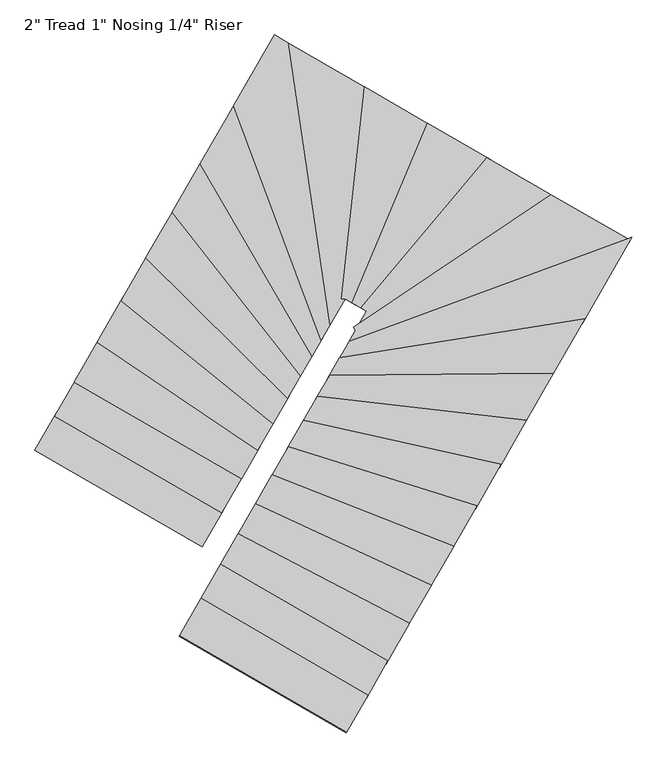
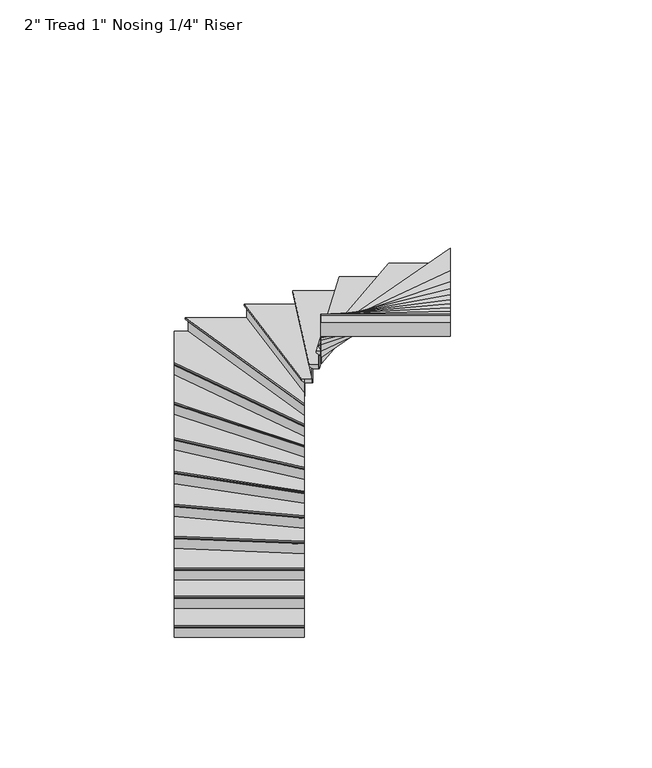
"""IFC4 building model written with IfcOpenShell, lengths in millimetres: stair flight geometry."""

from ifc_helpers import new_model, si_unit, origin, place, context, project, spatial, faceted_brep, source, transform, mapped, element, save


def stair_flight_e8a2d479(model_context):
    return source(origin(), model_context, "Body", "Brep", [
        faceted_brep([(34058.7429103, -105273.2736568, 3204.7961538), (34058.7429103, -105273.2736568, 3223.8461538), (32870.7873116, -104587.6731496, 3223.8461538), (32870.7873116, -104587.6731496, 3204.7961538), (34071.439216, -105251.274479, 3179.3961538), (32883.4836173, -104565.6739719, 3179.3961538), (34211.0985786, -105009.2835238, 3223.8461538), (33023.1429799, -104323.6830166, 3223.8461538), (32883.4836173, -104565.6739719, 3173.0461538), (33023.1429799, -104323.6830166, 3173.0461538), (34211.0985786, -105009.2835238, 3173.0461538), (34071.439216, -105251.274479, 3173.0461538)], [[[0, 1, 2, 3]], [[4, 0, 3, 5]], [[2, 1, 6, 7]], [[8, 9, 10, 11]], [[2, 7, 9, 8, 5, 3]], [[8, 11, 4, 5]], [[6, 1, 0, 4, 11, 10]], [[7, 6, 10, 9]]]),
        faceted_brep([(34071.439216, -105251.274479, 3173.0461538), (34071.439216, -105251.274479, 3048.0), (34074.6132924, -105245.7746846, 3048.0), (34074.6132924, -105245.7746846, 3173.0461538), (32883.4836173, -104565.6739719, 3173.0461538), (32886.6576937, -104560.1741774, 3173.0461538), (32886.6576937, -104560.1741774, 3048.0), (32883.4836173, -104565.6739719, 3048.0)], [[[0, 1, 2, 3]], [[4, 5, 6, 7]], [[1, 0, 4, 7]], [[2, 1, 7, 6]], [[3, 2, 6, 5]], [[0, 3, 5, 4]]]),
        faceted_brep([(34211.0985786, -105009.2835238, 3348.8923077), (34211.0985786, -105009.2835238, 3173.0461538), (34214.272655, -105003.7837293, 3173.0461538), (34214.272655, -105003.7837293, 3348.8923077), (33023.1429799, -104323.6830166, 3348.8923077), (33026.3170563, -104318.1832221, 3348.8923077), (33026.3170563, -104318.1832221, 3173.0461538), (33023.1429799, -104323.6830166, 3173.0461538)], [[[0, 1, 2, 3]], [[4, 5, 6, 7]], [[1, 0, 4, 7]], [[2, 1, 7, 6]], [[3, 2, 6, 5]], [[0, 3, 5, 4]]]),
        faceted_brep([(33010.4466742, -104345.6821943, 3399.6923077), (34198.4022729, -105031.2827015, 3399.6923077), (34350.7579412, -104767.2925685, 3399.6923077), (33162.8023424, -104081.6920613, 3399.6923077), (33023.1429799, -104323.6830166, 3348.8923077), (33162.8023424, -104081.6920613, 3348.8923077), (34350.7579412, -104767.2925685, 3348.8923077), (34211.0985786, -105009.2835238, 3348.8923077), (33023.1429799, -104323.6830166, 3355.2423077), (33010.4466742, -104345.6821943, 3380.6423077), (34211.0985786, -105009.2835238, 3355.2423077), (34198.4022729, -105031.2827015, 3380.6423077)], [[[0, 1, 2, 3]], [[4, 5, 6, 7]], [[0, 3, 5, 4, 8, 9]], [[4, 7, 10, 8]], [[2, 1, 11, 10, 7, 6]], [[3, 2, 6, 5]], [[11, 1, 0, 9]], [[10, 11, 9, 8]]]),
        faceted_brep([(34350.7579412, -104767.2925685, 3524.7384615), (34350.7579412, -104767.2925685, 3348.8923077), (34353.9320176, -104761.792774, 3348.8923077), (34353.9320176, -104761.792774, 3524.7384615), (33162.8023424, -104081.6920613, 3524.7384615), (33165.9764188, -104076.1922668, 3524.7384615), (33165.9764188, -104076.1922668, 3348.8923077), (33162.8023424, -104081.6920613, 3348.8923077)], [[[0, 1, 2, 3]], [[4, 5, 6, 7]], [[1, 0, 4, 7]], [[2, 1, 7, 6]], [[3, 2, 6, 5]], [[0, 3, 5, 4]]]),
        faceted_brep([(33150.1060367, -104103.691239, 3575.5384615), (34338.0616355, -104789.2917462, 3575.5384615), (34466.1119936, -104567.4159771, 3575.5384615), (33326.8309287, -103797.4759977, 3575.5384615), (33162.8023424, -104081.6920613, 3524.7384615), (33326.8309287, -103797.4759977, 3524.7384615), (34466.1119936, -104567.4159771, 3524.7384615), (34350.7579412, -104767.2925685, 3524.7384615), (33162.8023424, -104081.6920613, 3531.0884615), (33150.1060367, -104103.691239, 3556.4884615), (34350.7579412, -104767.2925685, 3531.0884615), (34338.0616355, -104789.2917462, 3556.4884615)], [[[0, 1, 2, 3]], [[4, 5, 6, 7]], [[0, 3, 5, 4, 8, 9]], [[4, 7, 10, 8]], [[2, 1, 11, 10, 7, 6]], [[3, 2, 6, 5]], [[11, 1, 0, 9]], [[10, 11, 9, 8]]]),
        faceted_brep([(34466.1119936, -104567.4159771, 3700.5846154), (34466.1119936, -104567.4159771, 3524.7384615), (34469.2940592, -104561.9023397, 3524.7384615), (34469.2940592, -104561.9023397, 3700.5846154), (33326.8309287, -103797.4759977, 3700.5846154), (33330.0129943, -103791.9623602, 3700.5846154), (33330.0129943, -103791.9623602, 3524.7384615), (33326.8309287, -103797.4759977, 3524.7384615)], [[[0, 1, 2, 3]], [[4, 5, 6, 7]], [[1, 0, 4, 7]], [[2, 1, 7, 6]], [[3, 2, 6, 5]], [[0, 3, 5, 4]]]),
        faceted_brep([(33314.1026662, -103819.5305476, 3751.3846154), (34453.3837311, -104589.4705271, 3751.3846154), (34576.4243037, -104376.2753274, 3751.3846154), (33496.0843406, -103504.2067597, 3751.3846154), (33326.8309287, -103797.4759977, 3700.5846154), (33496.0843406, -103504.2067597, 3700.5846154), (34576.4243037, -104376.2753274, 3700.5846154), (34466.1119936, -104567.4159771, 3700.5846154), (33326.8309287, -103797.4759977, 3706.9346154), (33314.1026662, -103819.5305476, 3732.3346154), (34466.1119936, -104567.4159771, 3706.9346154), (34453.3837311, -104589.4705271, 3732.3346154)], [[[0, 1, 2, 3]], [[4, 5, 6, 7]], [[0, 3, 5, 4, 8, 9]], [[4, 7, 10, 8]], [[2, 1, 11, 10, 7, 6]], [[3, 2, 6, 5]], [[11, 1, 0, 9]], [[10, 11, 9, 8]]]),
        faceted_brep([(34576.4243037, -104376.2753274, 3876.4307692), (34576.4243037, -104376.2753274, 3700.5846154), (34579.6372439, -104370.7081927, 3700.5846154), (34579.6372439, -104370.7081927, 3876.4307692), (33496.0843406, -103504.2067597, 3876.4307692), (33499.2972808, -103498.6396251, 3876.4307692), (33499.2972808, -103498.6396251, 3700.5846154), (33496.0843406, -103504.2067597, 3700.5846154)], [[[0, 1, 2, 3]], [[4, 5, 6, 7]], [[1, 0, 4, 7]], [[2, 1, 7, 6]], [[3, 2, 6, 5]], [[0, 3, 5, 4]]]),
        faceted_brep([(33483.2325797, -103526.4752982, 3927.2307692), (34563.5725428, -104398.5438658, 3927.2307692), (34679.9412357, -104196.9091838, 3927.2307692), (33672.4400651, -103198.631183, 3927.2307692), (33496.0843406, -103504.2067597, 3876.4307692), (33672.4400651, -103198.631183, 3876.4307692), (34679.9412357, -104196.9091838, 3876.4307692), (34576.4243037, -104376.2753274, 3876.4307692), (33496.0843406, -103504.2067597, 3882.7807692), (33483.2325797, -103526.4752982, 3908.1807692), (34576.4243037, -104376.2753274, 3882.7807692), (34563.5725428, -104398.5438658, 3908.1807692)], [[[0, 1, 2, 3]], [[4, 5, 6, 7]], [[0, 3, 5, 4, 8, 9]], [[4, 7, 10, 8]], [[2, 1, 11, 10, 7, 6]], [[3, 2, 6, 5]], [[11, 1, 0, 9]], [[10, 11, 9, 8]]]),
        faceted_brep([(34679.9412357, -104196.9091838, 4052.2769231), (34679.9412357, -104196.9091838, 3876.4307692), (34683.2234174, -104191.222073, 3876.4307692), (34683.2234174, -104191.222073, 4052.2769231), (33672.4400651, -103198.631183, 4052.2769231), (33675.7222468, -103192.9440722, 4052.2769231), (33675.7222468, -103192.9440722, 3876.4307692), (33672.4400651, -103198.631183, 3876.4307692)], [[[0, 1, 2, 3]], [[4, 5, 6, 7]], [[1, 0, 4, 7]], [[2, 1, 7, 6]], [[3, 2, 6, 5]], [[0, 3, 5, 4]]]),
        faceted_brep([(33659.3113385, -103221.3796263, 4103.0769231), (34666.8125091, -104219.6576271, 4103.0769231), (34773.9816638, -104033.9631944, 4103.0769231), (33858.7893199, -102875.7395891, 4103.0769231), (33672.4400651, -103198.631183, 4052.2769231), (33858.7893199, -102875.7395891, 4052.2769231), (34773.9816638, -104033.9631944, 4052.2769231), (34679.9412357, -104196.9091838, 4052.2769231), (33672.4400651, -103198.631183, 4058.6269231), (33659.3113385, -103221.3796263, 4084.0269231), (34679.9412357, -104196.9091838, 4058.6269231), (34666.8125091, -104219.6576271, 4084.0269231)], [[[0, 1, 2, 3]], [[4, 5, 6, 7]], [[0, 3, 5, 4, 8, 9]], [[4, 7, 10, 8]], [[2, 1, 11, 10, 7, 6]], [[3, 2, 6, 5]], [[11, 1, 0, 9]], [[10, 11, 9, 8]]]),
        faceted_brep([(34773.9816638, -104033.9631944, 4228.1230769), (34773.9816638, -104033.9631944, 4052.2769231), (34777.3977151, -104028.0441244, 4052.2769231), (34777.3977151, -104028.0441244, 4228.1230769), (33858.7893199, -102875.7395891, 4228.1230769), (33862.2053713, -102869.8205192, 4228.1230769), (33862.2053713, -102869.8205192, 4052.2769231), (33858.7893199, -102875.7395891, 4052.2769231)], [[[0, 1, 2, 3]], [[4, 5, 6, 7]], [[1, 0, 4, 7]], [[2, 1, 7, 6]], [[3, 2, 6, 5]], [[0, 3, 5, 4]]]),
        faceted_brep([(33845.1251145, -102899.4158688, 4278.9230769), (34760.3174583, -104057.6394741, 4278.9230769), (34854.2213067, -103894.9301393, 4278.9230769), (34059.8187483, -102527.4113245, 4278.9230769), (33858.7893199, -102875.7395891, 4228.1230769), (34059.8187483, -102527.4113245, 4228.1230769), (34854.2213067, -103894.9301393, 4228.1230769), (34773.9816638, -104033.9631944, 4228.1230769), (33858.7893199, -102875.7395891, 4234.4730769), (33845.1251145, -102899.4158688, 4259.8730769), (34773.9816638, -104033.9631944, 4234.4730769), (34760.3174583, -104057.6394741, 4259.8730769)], [[[0, 1, 2, 3]], [[4, 5, 6, 7]], [[0, 3, 5, 4, 8, 9]], [[4, 7, 10, 8]], [[2, 1, 11, 10, 7, 6]], [[3, 2, 6, 5]], [[11, 1, 0, 9]], [[10, 11, 9, 8]]]),
        faceted_brep([(34854.2213067, -103894.9301393, 4403.9692308), (34854.2213067, -103894.9301393, 4228.1230769), (34857.8811513, -103888.5886433, 4228.1230769), (34857.8811513, -103888.5886433, 4403.9692308), (34059.8187483, -102527.4113245, 4403.9692308), (34063.4785929, -102521.0698284, 4403.9692308), (34063.4785929, -102521.0698284, 4228.1230769), (34059.8187483, -102527.4113245, 4228.1230769)], [[[0, 1, 2, 3]], [[4, 5, 6, 7]], [[1, 0, 4, 7]], [[2, 1, 7, 6]], [[3, 2, 6, 5]], [[0, 3, 5, 4]]]),
        faceted_brep([(34045.1793698, -102552.7773087, 4454.7692308), (34839.5819282, -103920.2961236, 4454.7692308), (34920.9943729, -103779.2309282, 4454.7692308), (34299.1595432, -102112.7000831, 4454.7692308), (34059.8187483, -102527.4113245, 4403.9692308), (34299.1595432, -102112.7000831, 4403.9692308), (34920.9943729, -103779.2309282, 4403.9692308), (34854.2213067, -103894.9301393, 4403.9692308), (34059.8187483, -102527.4113245, 4410.3192308), (34045.1793698, -102552.7773087, 4435.7192308), (34854.2213067, -103894.9301393, 4410.3192308), (34839.5819282, -103920.2961236, 4435.7192308)], [[[0, 1, 2, 3]], [[4, 5, 6, 7]], [[0, 3, 5, 4, 8, 9]], [[4, 7, 10, 8]], [[2, 1, 11, 10, 7, 6]], [[3, 2, 6, 5]], [[11, 1, 0, 9]], [[10, 11, 9, 8]]]),
        faceted_brep([(34920.9943729, -103779.2309282, 4579.8153846), (34920.9943729, -103779.2309282, 4403.9692308), (34925.1106859, -103772.098499, 4403.9692308), (34925.1106859, -103772.098499, 4579.8153846), (34299.1595432, -102112.7000831, 4579.8153846), (34303.2758562, -102105.567654, 4579.8153846), (34303.2758562, -102105.567654, 4403.9692308), (34299.1595432, -102112.7000831, 4403.9692308)], [[[0, 1, 2, 3]], [[4, 5, 6, 7]], [[1, 0, 4, 7]], [[2, 1, 7, 6]], [[3, 2, 6, 5]], [[0, 3, 5, 4]]]),
        faceted_brep([(34702.6300907, -101713.9698157, 4630.6153846), (34572.5902855, -101638.9204145, 4630.6153846), (34282.6942913, -102141.2297997, 4630.6153846), (34904.529121, -103807.7606448, 4630.6153846), (34988.6092331, -103662.0731214, 4630.6153846), (34572.5902855, -101638.9204145, 4579.8153846), (34702.6300907, -101713.9698157, 4579.8153846), (34988.6092331, -103662.0731214, 4579.8153846), (34920.9943729, -103779.2309282, 4579.8153846), (34299.1595432, -102112.7000831, 4579.8153846), (34920.9943729, -103779.2309282, 4586.1653846), (34299.1595432, -102112.7000831, 4586.1653846), (34904.529121, -103807.7606448, 4611.5653846), (34282.6942913, -102141.2297997, 4611.5653846)], [[[0, 1, 2, 3, 4]], [[5, 6, 7, 8, 9]], [[1, 0, 6, 5]], [[9, 8, 10, 11]], [[4, 3, 12, 10, 8, 7]], [[0, 4, 7, 6]], [[12, 3, 2, 13]], [[10, 12, 13, 11]], [[2, 1, 5, 9, 11, 13]]]),
        faceted_brep([(34988.6092331, -103662.0731214, 4755.6615385), (34988.6092331, -103662.0731214, 4579.8153846), (34993.725825, -103653.2074862, 4579.8153846), (34993.725825, -103653.2074862, 4755.6615385), (34702.6300907, -101713.9698157, 4755.6615385), (34709.6422249, -101718.0167033, 4755.6615385), (34709.6422249, -101718.0167033, 4579.8153846), (34702.6300907, -101713.9698157, 4579.8153846)], [[[0, 1, 2, 3]], [[4, 5, 6, 7]], [[1, 0, 4, 7]], [[2, 1, 7, 6]], [[3, 2, 6, 5]], [[0, 3, 5, 4]]]),
        faceted_brep([(34674.5815538, -101697.7822653, 4806.4615385), (34968.1428654, -103697.5356624, 4806.4615385), (35074.0644902, -103514.0028531, 4806.4615385), (35236.0103431, -102021.7976268, 4806.4615385), (34702.6300907, -101713.9698157, 4755.6615385), (35236.0103431, -102021.7976268, 4755.6615385), (35074.0644902, -103514.0028531, 4755.6615385), (34988.6092331, -103662.0731214, 4755.6615385), (34702.6300907, -101713.9698157, 4762.0115385), (34674.5815538, -101697.7822653, 4787.4115385), (34988.6092331, -103662.0731214, 4762.0115385), (34968.1428654, -103697.5356624, 4787.4115385)], [[[0, 1, 2, 3]], [[4, 5, 6, 7]], [[0, 3, 5, 4, 8, 9]], [[4, 7, 10, 8]], [[2, 1, 11, 10, 7, 6]], [[3, 2, 6, 5]], [[11, 1, 0, 9]], [[10, 11, 9, 8]]]),
        faceted_brep([(35074.0644902, -103514.0028531, 4931.5076923), (35074.0644902, -103514.0028531, 4755.6615385), (35080.3774212, -103514.6879821, 4755.6615385), (35080.3774212, -103514.6879821, 4931.5076923), (35236.0103431, -102021.7976268, 4931.5076923), (35242.0211473, -102025.2666204, 4931.5076923), (35242.0211473, -102025.2666204, 4755.6615385), (35236.0103431, -102021.7976268, 4755.6615385)], [[[0, 1, 2, 3]], [[4, 5, 6, 7]], [[1, 0, 4, 7]], [[2, 1, 7, 6]], [[3, 2, 6, 5]], [[0, 3, 5, 4]]]),
        faceted_brep([(35211.9671266, -102007.9216524, 4982.3076923), (35048.812766, -103511.2623373, 4982.3076923), (35074.0644902, -103514.0028531, 4982.3076923), (35074.945377, -103512.4765204, 4982.3076923), (35147.2728149, -103554.2185924, 4982.3076923), (35681.2119659, -102278.735225, 4982.3076923), (35236.0103431, -102021.7976268, 4931.5076923), (35681.2119659, -102278.735225, 4931.5076923), (35147.2728149, -103554.2185924, 4931.5076923), (35074.945377, -103512.4765204, 4931.5076923), (35074.0644902, -103514.0028531, 4931.5076923), (35236.0103431, -102021.7976268, 4937.8576923), (35211.9671266, -102007.9216524, 4963.2576923), (35074.0644902, -103514.0028531, 4937.8576923), (35048.812766, -103511.2623373, 4963.2576923)], [[[0, 1, 2, 3, 4, 5]], [[6, 7, 8, 9, 10]], [[0, 5, 7, 6, 11, 12]], [[6, 10, 13, 11]], [[3, 2, 13, 10, 9]], [[4, 3, 9, 8]], [[5, 4, 8, 7]], [[14, 1, 0, 12]], [[13, 14, 12, 11]], [[1, 14, 13, 2]]]),
        faceted_brep([(35147.2728149, -103554.2185924, 5107.3538462), (35147.2728149, -103554.2185924, 4931.5076923), (35152.8172476, -103557.4184307, 4931.5076923), (35152.8172476, -103557.4184307, 5107.3538462), (35681.2119659, -102278.735225, 5107.3538462), (35686.7563986, -102281.9350634, 5107.3538462), (35686.7563986, -102281.9350634, 4931.5076923), (35681.2119659, -102278.735225, 4931.5076923)], [[[0, 1, 2, 3]], [[4, 5, 6, 7]], [[1, 0, 4, 7]], [[2, 1, 7, 6]], [[3, 2, 6, 5]], [[0, 3, 5, 4]]]),
        faceted_brep([(35659.0342352, -102265.9358717, 5158.1538462), (35125.0950842, -103541.419239, 5158.1538462), (35209.7916954, -103590.2998871, 5158.1538462), (36104.2961835, -102522.9082854, 5158.1538462), (35681.2119659, -102278.735225, 5107.3538462), (36104.2961835, -102522.9082854, 5107.3538462), (35209.7916954, -103590.2998871, 5107.3538462), (35147.2728149, -103554.2185924, 5107.3538462), (35681.2119659, -102278.735225, 5113.7038462), (35659.0342352, -102265.9358717, 5139.1038462), (35147.2728149, -103554.2185924, 5113.7038462), (35125.0950842, -103541.419239, 5139.1038462)], [[[0, 1, 2, 3]], [[4, 5, 6, 7]], [[0, 3, 5, 4, 8, 9]], [[4, 7, 10, 8]], [[3, 2, 6, 5]], [[11, 1, 0, 9]], [[10, 11, 9, 8]], [[2, 1, 11, 10, 7, 6]]]),
        faceted_brep([(35209.7916954, -103590.2998871, 5283.2), (35209.7916954, -103590.2998871, 5107.3538462), (35215.3758797, -103593.5226672, 5107.3538462), (35215.3758797, -103593.5226672, 5283.2), (36104.2961835, -102522.9082854, 5283.2), (36109.8803678, -102526.1310655, 5283.2), (36109.8803678, -102526.1310655, 5107.3538462), (36104.2961835, -102522.9082854, 5107.3538462)], [[[0, 1, 2, 3]], [[4, 5, 6, 7]], [[1, 0, 4, 7]], [[2, 1, 7, 6]], [[3, 2, 6, 5]], [[0, 3, 5, 4]]]),
        faceted_brep([(36081.9594463, -102510.0171653, 5334.0), (35187.4549582, -103577.408767, 5334.0), (35227.850771, -103600.722256, 5334.0), (35150.8603109, -103734.1253779, 5334.0), (36560.749701, -102786.3396489, 5334.0), (36104.2961835, -102522.9082854, 5283.2), (36560.749701, -102786.3396489, 5283.2), (35150.8603109, -103734.1253779, 5283.2), (35227.850771, -103600.722256, 5283.2), (35209.7916954, -103590.2998871, 5283.2), (36104.2961835, -102522.9082854, 5289.55), (36081.9594463, -102510.0171653, 5314.95), (35209.7916954, -103590.2998871, 5289.55), (35187.4549582, -103577.408767, 5314.95)], [[[0, 1, 2, 3, 4]], [[5, 6, 7, 8, 9]], [[0, 4, 6, 5, 10, 11]], [[5, 9, 12, 10]], [[2, 1, 13, 12, 9, 8]], [[4, 3, 7, 6]], [[13, 1, 0, 11]], [[12, 13, 11, 10]], [[3, 2, 8, 7]]]),
        faceted_brep([(35150.8603109, -103734.1253779, 5459.0461538), (35150.8603109, -103734.1253779, 5283.2), (35154.4029692, -103739.3952994, 5283.2), (35154.4029692, -103739.3952994, 5459.0461538), (36560.749701, -102786.3396489, 5459.0461538), (36566.8739534, -102789.8741165, 5459.0461538), (36566.8739534, -102789.8741165, 5283.2), (36560.749701, -102786.3396489, 5283.2)], [[[0, 1, 2, 3]], [[4, 5, 6, 7]], [[1, 0, 4, 7]], [[2, 1, 7, 6]], [[3, 2, 6, 5]], [[0, 3, 5, 4]]]),
        faceted_brep([(37094.2233393, -103110.8142435, 5509.8461538), (37101.4068769, -103098.3671644, 5509.8461538), (36536.2526915, -102772.2017786, 5509.8461538), (35136.6896777, -103713.0456921, 5509.8461538), (35150.8603109, -103734.1253779, 5509.8461538), (35085.0928584, -103848.0821394, 5509.8461538), (37101.4068769, -103098.3671644, 5459.0461538), (37094.2233393, -103110.8142435, 5459.0461538), (35085.0928584, -103848.0821394, 5459.0461538), (35150.8603109, -103734.1253779, 5459.0461538), (36560.749701, -102786.3396489, 5459.0461538), (35150.8603109, -103734.1253779, 5465.3961538), (36560.749701, -102786.3396489, 5465.3961538), (35136.6896777, -103713.0456921, 5490.7961538), (36536.2526915, -102772.2017786, 5490.7961538)], [[[0, 1, 2, 3, 4, 5]], [[6, 7, 8, 9, 10]], [[1, 0, 7, 6]], [[10, 9, 11, 12]], [[5, 4, 11, 9, 8]], [[0, 5, 8, 7]], [[13, 3, 2, 14]], [[11, 13, 14, 12]], [[3, 13, 11, 4]], [[2, 1, 6, 10, 12, 14]]]),
        faceted_brep([(35085.0928584, -103848.0821394, 5634.8923077), (35085.0928584, -103848.0821394, 5459.0461538), (35080.1402879, -103856.6635709, 5459.0461538), (35080.1402879, -103856.6635709, 5634.8923077), (37094.2233393, -103110.8142435, 5634.8923077), (37089.2707688, -103119.3956751, 5634.8923077), (37089.2707688, -103119.3956751, 5459.0461538), (37094.2233393, -103110.8142435, 5459.0461538)], [[[0, 1, 2, 3]], [[4, 5, 6, 7]], [[1, 0, 4, 7]], [[2, 1, 7, 6]], [[3, 2, 6, 5]], [[0, 3, 5, 4]]]),
        faceted_brep([(37114.0336213, -103076.4885172, 5685.6923077), (35104.9031404, -103813.7564131, 5685.6923077), (35019.9504335, -103960.9559012, 5685.6923077), (36764.2781484, -103682.5177832, 5685.6923077), (37094.2233393, -103110.8142435, 5634.8923077), (36764.2781484, -103682.5177832, 5634.8923077), (35019.9504335, -103960.9559012, 5634.8923077), (35085.0928584, -103848.0821394, 5634.8923077), (37094.2233393, -103110.8142435, 5641.2423077), (37114.0336213, -103076.4885172, 5666.6423077), (35085.0928584, -103848.0821394, 5641.2423077), (35104.9031404, -103813.7564131, 5666.6423077)], [[[0, 1, 2, 3]], [[4, 5, 6, 7]], [[0, 3, 5, 4, 8, 9]], [[4, 7, 10, 8]], [[2, 1, 11, 10, 7, 6]], [[3, 2, 6, 5]], [[11, 1, 0, 9]], [[10, 11, 9, 8]]]),
        faceted_brep([(35019.9504335, -103960.9559012, 5810.7384615), (35019.9504335, -103960.9559012, 5634.8923077), (35015.8627092, -103968.0387942, 5634.8923077), (35015.8627092, -103968.0387942, 5810.7384615), (36764.2781484, -103682.5177832, 5810.7384615), (36760.1904241, -103689.6006762, 5810.7384615), (36760.1904241, -103689.6006762, 5634.8923077), (36764.2781484, -103682.5177832, 5634.8923077)], [[[0, 1, 2, 3]], [[4, 5, 6, 7]], [[1, 0, 4, 7]], [[2, 1, 7, 6]], [[3, 2, 6, 5]], [[0, 3, 5, 4]]]),
        faceted_brep([(36780.6290459, -103654.1862112, 5861.5384615), (35036.301331, -103932.6243292, 5861.5384615), (34951.5828788, -104079.4179189, 5861.5384615), (36542.1715296, -104067.3669754, 5861.5384615), (36764.2781484, -103682.5177832, 5810.7384615), (36542.1715296, -104067.3669754, 5810.7384615), (34951.5828788, -104079.4179189, 5810.7384615), (35019.9504335, -103960.9559012, 5810.7384615), (36764.2781484, -103682.5177832, 5817.0884615), (36780.6290459, -103654.1862112, 5842.4884615), (35019.9504335, -103960.9559012, 5817.0884615), (35036.301331, -103932.6243292, 5842.4884615)], [[[0, 1, 2, 3]], [[4, 5, 6, 7]], [[0, 3, 5, 4, 8, 9]], [[4, 7, 10, 8]], [[2, 1, 11, 10, 7, 6]], [[3, 2, 6, 5]], [[11, 1, 0, 9]], [[10, 11, 9, 8]]]),
        faceted_brep([(34951.5828788, -104079.4179189, 5986.5846154), (34951.5828788, -104079.4179189, 5810.7384615), (34947.901926, -104085.7959895, 5810.7384615), (34947.901926, -104085.7959895, 5986.5846154), (36542.1715296, -104067.3669754, 5986.5846154), (36538.4905768, -104073.745046, 5986.5846154), (36538.4905768, -104073.745046, 5810.7384615), (36542.1715296, -104067.3669754, 5810.7384615)], [[[0, 1, 2, 3]], [[4, 5, 6, 7]], [[1, 0, 4, 7]], [[2, 1, 7, 6]], [[3, 2, 6, 5]], [[0, 3, 5, 4]]]),
        faceted_brep([(36556.8953407, -104041.8546928, 6037.3846154), (34966.3066899, -104053.9056363, 6037.3846154), (34866.3512228, -104227.1007485, 6037.3846154), (36349.8802275, -104400.5544899, 6037.3846154), (36542.1715296, -104067.3669754, 5986.5846154), (36349.8802275, -104400.5544899, 5986.5846154), (34866.3512228, -104227.1007485, 5986.5846154), (34951.5828788, -104079.4179189, 5986.5846154), (36542.1715296, -104067.3669754, 5992.9346154), (36556.8953407, -104041.8546928, 6018.3346154), (34951.5828788, -104079.4179189, 5992.9346154), (34966.3066899, -104053.9056363, 6018.3346154)], [[[0, 1, 2, 3]], [[4, 5, 6, 7]], [[0, 3, 5, 4, 8, 9]], [[4, 7, 10, 8]], [[2, 1, 11, 10, 7, 6]], [[3, 2, 6, 5]], [[11, 1, 0, 9]], [[10, 11, 9, 8]]]),
        faceted_brep([(34866.3512228, -104227.1007485, 6162.4307692), (34866.3512228, -104227.1007485, 5986.5846154), (34862.8947409, -104233.0898734, 5986.5846154), (34862.8947409, -104233.0898734, 6162.4307692), (36349.8802275, -104400.5544899, 6162.4307692), (36346.4237456, -104406.5436147, 6162.4307692), (36346.4237456, -104406.5436147, 5986.5846154), (36349.8802275, -104400.5544899, 5986.5846154)], [[[0, 1, 2, 3]], [[4, 5, 6, 7]], [[1, 0, 4, 7]], [[2, 1, 7, 6]], [[3, 2, 6, 5]], [[0, 3, 5, 4]]]),
        faceted_brep([(36363.7061551, -104376.5979906, 6213.2307692), (34880.1771504, -104203.1442492, 6213.2307692), (34767.3003859, -104398.7283874, 6213.2307692), (36170.6479419, -104711.1143493, 6213.2307692), (36349.8802275, -104400.5544899, 6162.4307692), (36170.6479419, -104711.1143493, 6162.4307692), (34767.3003859, -104398.7283874, 6162.4307692), (34866.3512228, -104227.1007485, 6162.4307692), (36349.8802275, -104400.5544899, 6168.7807692), (36363.7061551, -104376.5979906, 6194.1807692), (34866.3512228, -104227.1007485, 6168.7807692), (34880.1771504, -104203.1442492, 6194.1807692)], [[[0, 1, 2, 3]], [[4, 5, 6, 7]], [[0, 3, 5, 4, 8, 9]], [[4, 7, 10, 8]], [[2, 1, 11, 10, 7, 6]], [[3, 2, 6, 5]], [[11, 1, 0, 9]], [[10, 11, 9, 8]]]),
        faceted_brep([(34767.3003859, -104398.7283874, 6338.2769231), (34767.3003859, -104398.7283874, 6162.4307692), (34763.9733544, -104404.4932107, 6162.4307692), (34763.9733544, -104404.4932107, 6338.2769231), (36170.6479419, -104711.1143493, 6338.2769231), (36167.3209103, -104716.8791726, 6338.2769231), (36167.3209103, -104716.8791726, 6162.4307692), (36170.6479419, -104711.1143493, 6162.4307692)], [[[0, 1, 2, 3]], [[4, 5, 6, 7]], [[1, 0, 4, 7]], [[2, 1, 7, 6]], [[3, 2, 6, 5]], [[0, 3, 5, 4]]]),
        faceted_brep([(36183.9560681, -104688.0550562, 6389.0769231), (34780.6085122, -104375.6690942, 6389.0769231), (34659.0883244, -104586.2298886, 6389.0769231), (36000.1395375, -105006.5581412, 6389.0769231), (36170.6479419, -104711.1143493, 6338.2769231), (36000.1395375, -105006.5581412, 6338.2769231), (34659.0883244, -104586.2298886, 6338.2769231), (34767.3003859, -104398.7283874, 6338.2769231), (36170.6479419, -104711.1143493, 6344.6269231), (36183.9560681, -104688.0550562, 6370.0269231), (34767.3003859, -104398.7283874, 6344.6269231), (34780.6085122, -104375.6690942, 6370.0269231)], [[[0, 1, 2, 3]], [[4, 5, 6, 7]], [[0, 3, 5, 4, 8, 9]], [[4, 7, 10, 8]], [[2, 1, 11, 10, 7, 6]], [[3, 2, 6, 5]], [[11, 1, 0, 9]], [[10, 11, 9, 8]]]),
        faceted_brep([(34659.0883244, -104586.2298886, 6514.1230769), (34659.0883244, -104586.2298886, 6338.2769231), (34655.8360753, -104591.8651347, 6338.2769231), (34655.8360753, -104591.8651347, 6514.1230769), (36000.1395375, -105006.5581412, 6514.1230769), (35996.8872884, -105012.1933873, 6514.1230769), (35996.8872884, -105012.1933873, 6338.2769231), (36000.1395375, -105006.5581412, 6338.2769231)], [[[0, 1, 2, 3]], [[4, 5, 6, 7]], [[1, 0, 4, 7]], [[2, 1, 7, 6]], [[3, 2, 6, 5]], [[0, 3, 5, 4]]]),
        faceted_brep([(36013.1485342, -104984.0171568, 6564.9230769), (34672.097321, -104563.6889042, 6564.9230769), (34544.4958065, -104784.7869517, 6564.9230769), (35835.7520981, -105291.395998, 6564.9230769), (36000.1395375, -105006.5581412, 6514.1230769), (35835.7520981, -105291.395998, 6514.1230769), (34544.4958065, -104784.7869517, 6514.1230769), (34659.0883244, -104586.2298886, 6514.1230769), (36000.1395375, -105006.5581412, 6520.4730769), (36013.1485342, -104984.0171568, 6545.8730769), (34659.0883244, -104586.2298886, 6520.4730769), (34672.097321, -104563.6889042, 6545.8730769)], [[[0, 1, 2, 3]], [[4, 5, 6, 7]], [[0, 3, 5, 4, 8, 9]], [[4, 7, 10, 8]], [[2, 1, 11, 10, 7, 6]], [[3, 2, 6, 5]], [[11, 1, 0, 9]], [[10, 11, 9, 8]]]),
        faceted_brep([(34544.4958065, -104784.7869517, 6689.9692308), (34544.4958065, -104784.7869517, 6514.1230769), (34541.2859034, -104790.348824, 6514.1230769), (34541.2859034, -104790.348824, 6689.9692308), (35835.7520981, -105291.395998, 6689.9692308), (35832.5421949, -105296.9578703, 6689.9692308), (35832.5421949, -105296.9578703, 6514.1230769), (35835.7520981, -105291.395998, 6514.1230769)], [[[0, 1, 2, 3]], [[4, 5, 6, 7]], [[1, 0, 4, 7]], [[2, 1, 7, 6]], [[3, 2, 6, 5]], [[0, 3, 5, 4]]]),
        faceted_brep([(35848.5917108, -105269.1485089, 6740.7692308), (34557.3354193, -104762.5394626, 6740.7692308), (34425.2836892, -104991.3484999, 6740.7692308), (35675.8265187, -105568.5026883, 6740.7692308), (35835.7520981, -105291.395998, 6689.9692308), (35675.8265187, -105568.5026883, 6689.9692308), (34425.2836892, -104991.3484999, 6689.9692308), (34544.4958065, -104784.7869517, 6689.9692308), (35835.7520981, -105291.395998, 6696.3192308), (35848.5917108, -105269.1485089, 6721.7192308), (34544.4958065, -104784.7869517, 6696.3192308), (34557.3354193, -104762.5394626, 6721.7192308)], [[[0, 1, 2, 3]], [[4, 5, 6, 7]], [[0, 3, 5, 4, 8, 9]], [[4, 7, 10, 8]], [[2, 1, 11, 10, 7, 6]], [[3, 2, 6, 5]], [[11, 1, 0, 9]], [[10, 11, 9, 8]]]),
        faceted_brep([(34425.2836892, -104991.3484999, 6865.8153846), (34425.2836892, -104991.3484999, 6689.9692308), (34422.0964146, -104996.8711631, 6689.9692308), (34422.0964146, -104996.8711631, 6865.8153846), (35675.8265187, -105568.5026883, 6865.8153846), (35672.6392441, -105574.0253516, 6865.8153846), (35672.6392441, -105574.0253516, 6689.9692308), (35675.8265187, -105568.5026883, 6689.9692308)], [[[0, 1, 2, 3]], [[4, 5, 6, 7]], [[1, 0, 4, 7]], [[2, 1, 7, 6]], [[3, 2, 6, 5]], [[0, 3, 5, 4]]]),
        faceted_brep([(35688.5756172, -105546.4120353, 6916.6153846), (34438.0327877, -104969.2578469, 6916.6153846), (34302.6203992, -105203.8899735, 6916.6153846), (35519.2544638, -105839.7986504, 6916.6153846), (35675.8265187, -105568.5026883, 6865.8153846), (35519.2544638, -105839.7986504, 6865.8153846), (34302.6203992, -105203.8899735, 6865.8153846), (34425.2836892, -104991.3484999, 6865.8153846), (35675.8265187, -105568.5026883, 6872.1653846), (35688.5756172, -105546.4120353, 6897.5653846), (34425.2836892, -104991.3484999, 6872.1653846), (34438.0327877, -104969.2578469, 6897.5653846)], [[[0, 1, 2, 3]], [[4, 5, 6, 7]], [[0, 3, 5, 4, 8, 9]], [[4, 7, 10, 8]], [[2, 1, 11, 10, 7, 6]], [[3, 2, 6, 5]], [[11, 1, 0, 9]], [[10, 11, 9, 8]]]),
        faceted_brep([(34302.6203992, -105203.8899735, 7041.6615385), (34302.6203992, -105203.8899735, 6865.8153846), (34299.4435471, -105209.3945774, 6865.8153846), (34299.4435471, -105209.3945774, 7041.6615385), (35519.2544638, -105839.7986504, 7041.6615385), (35516.0776117, -105845.3032543, 7041.6615385), (35516.0776117, -105845.3032543, 6865.8153846), (35519.2544638, -105839.7986504, 6865.8153846)], [[[0, 1, 2, 3]], [[4, 5, 6, 7]], [[1, 0, 4, 7]], [[2, 1, 7, 6]], [[3, 2, 6, 5]], [[0, 3, 5, 4]]]),
        faceted_brep([(35531.9618722, -105817.7802348, 7092.4615385), (34315.3278076, -105181.871558, 7092.4615385), (34177.3113722, -105421.0157758, 7092.4615385), (35365.266971, -106106.616283, 7092.4615385), (35519.2544638, -105839.7986504, 7041.6615385), (35365.266971, -106106.616283, 7041.6615385), (34177.3113722, -105421.0157758, 7041.6615385), (34302.6203992, -105203.8899735, 7041.6615385), (35519.2544638, -105839.7986504, 7048.0115385), (35531.9618722, -105817.7802348, 7073.4115385), (34302.6203992, -105203.8899735, 7048.0115385), (34315.3278076, -105181.871558, 7073.4115385)], [[[0, 1, 2, 3]], [[4, 5, 6, 7]], [[0, 3, 5, 4, 8, 9]], [[4, 7, 10, 8]], [[2, 1, 11, 10, 7, 6]], [[3, 2, 6, 5]], [[11, 1, 0, 9]], [[10, 11, 9, 8]]]),
        faceted_brep([(34177.3113722, -105421.0157758, 7217.5076923), (34177.3113722, -105421.0157758, 7041.6615385), (34174.1372958, -105426.5155703, 7041.6615385), (34174.1372958, -105426.5155703, 7217.5076923), (35365.266971, -106106.616283, 7217.5076923), (35362.0928945, -106112.1160775, 7217.5076923), (35362.0928945, -106112.1160775, 7041.6615385), (35365.266971, -106106.616283, 7041.6615385)], [[[0, 1, 2, 3]], [[4, 5, 6, 7]], [[1, 0, 4, 7]], [[2, 1, 7, 6]], [[3, 2, 6, 5]], [[0, 3, 5, 4]]]),
        faceted_brep([(35377.9632767, -106084.6171053, 7268.3076923), (34190.0076779, -105399.0165981, 7268.3076923), (34037.6520097, -105663.0067311, 7268.3076923), (35225.6076084, -106348.6072383, 7268.3076923), (35365.266971, -106106.616283, 7217.5076923), (35225.6076084, -106348.6072383, 7217.5076923), (34037.6520097, -105663.0067311, 7217.5076923), (34177.3113722, -105421.0157758, 7217.5076923), (35365.266971, -106106.616283, 7223.8576923), (35377.9632767, -106084.6171053, 7249.2576923), (34177.3113722, -105421.0157758, 7223.8576923), (34190.0076779, -105399.0165981, 7249.2576923)], [[[0, 1, 2, 3]], [[4, 5, 6, 7]], [[0, 3, 5, 4, 8, 9]], [[4, 7, 10, 8]], [[2, 1, 11, 10, 7, 6]], [[3, 2, 6, 5]], [[11, 1, 0, 9]], [[10, 11, 9, 8]]]),
        faceted_brep([(34037.6520097, -105663.0067311, 7393.3538462), (34037.6520097, -105663.0067311, 7217.5076923), (34034.4779332, -105668.5065256, 7217.5076923), (34034.4779332, -105668.5065256, 7393.3538462), (35225.6076084, -106348.6072383, 7393.3538462), (35222.433532, -106354.1070327, 7393.3538462), (35222.433532, -106354.1070327, 7217.5076923), (35225.6076084, -106348.6072383, 7217.5076923)], [[[0, 1, 2, 3]], [[4, 5, 6, 7]], [[1, 0, 4, 7]], [[2, 1, 7, 6]], [[3, 2, 6, 5]], [[0, 3, 5, 4]]]),
        faceted_brep([(33897.9926471, -105904.9976864, 7569.2), (33897.9926471, -105904.9976864, 7393.3538462), (33894.8185707, -105910.4974809, 7393.3538462), (33894.8185707, -105910.4974809, 7569.2), (35085.9482458, -106590.5981936, 7569.2), (35082.7741694, -106596.097988, 7569.2), (35082.7741694, -106596.097988, 7393.3538462), (35085.9482458, -106590.5981936, 7393.3538462)], [[[0, 1, 2, 3]], [[4, 5, 6, 7]], [[1, 0, 4, 7]], [[2, 1, 7, 6]], [[3, 2, 6, 5]], [[0, 3, 5, 4]]]),
        faceted_brep([(35238.3039141, -106326.6080606, 7444.1538462), (34050.3483154, -105641.0075534, 7444.1538462), (33897.9926471, -105904.9976864, 7444.1538462), (35085.9482458, -106590.5981936, 7444.1538462), (35225.6076084, -106348.6072383, 7393.3538462), (35085.9482458, -106590.5981936, 7393.3538462), (33897.9926471, -105904.9976864, 7393.3538462), (34037.6520097, -105663.0067311, 7393.3538462), (35225.6076084, -106348.6072383, 7399.7038462), (35238.3039141, -106326.6080606, 7425.1038462), (34037.6520097, -105663.0067311, 7399.7038462), (34050.3483154, -105641.0075534, 7425.1038462)], [[[0, 1, 2, 3]], [[4, 5, 6, 7]], [[0, 3, 5, 4, 8, 9]], [[4, 7, 10, 8]], [[2, 1, 11, 10, 7, 6]], [[3, 2, 6, 5]], [[11, 1, 0, 9]], [[10, 11, 9, 8]]]),
    ])


if __name__ == "__main__":
    model = new_model("IFC4")
    model_context = context("Model", 3, world=origin())
    ifc_project = project(units=[si_unit("LENGTHUNIT", "METRE", prefix="MILLI")], contexts=[model_context])
    site = spatial("IfcSite", under=ifc_project)
    building = spatial("IfcBuilding", under=site)
    placement = place(None, origin())
    stair_flight_shape = stair_flight_e8a2d479(model_context)
    element("IfcStairFlight", 1, ObjectType="2\" Tread 1\" Nosing 1/4\" Riser", at=placement, inside=building, context=model_context, shape_type="MappedRepresentation", body=[
        mapped(stair_flight_shape, transform((0.0, 0.0, 0.0), x_axis=(1.0, 0.0, 0.0), y_axis=(0.0, 1.0, 0.0), z_axis=(0.0, 0.0, 1.0))),
    ])
    save(model, "model.ifc")
